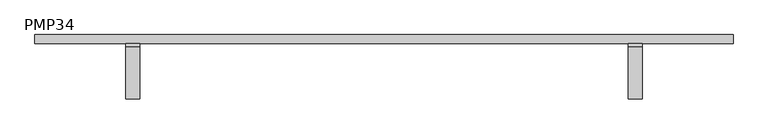
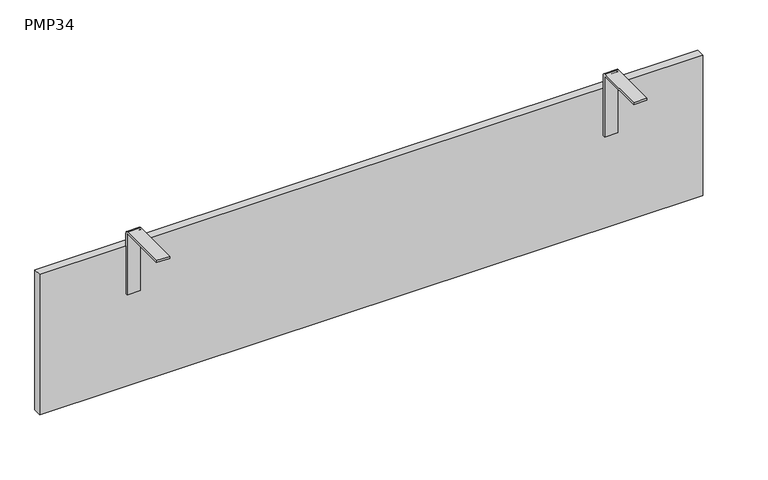
"""IFC4 building model written with IfcOpenShell, lengths in millimetres: furniture geometry, PMP34."""

from ifc_helpers import new_model, si_unit, point, frame, frame_2d, origin, origin_with_axes, place, context, project, spatial, polyline, circle_curve, trimmed, segment, composite_curve, outline, extrude, source, transform, mapped, element, save


def pmp34_4227921f(model_context):
    return source(origin(), model_context, "Body", "SweptSolid", [
        extrude(outline(composite_curve([segment(polyline([(0.0, 306.0), (0.0, 185.0), (-4.0, 185.0), (-4.0, 306.0)]), True, "CONTINUOUS"), segment(trimmed(circle_curve(frame_2d((-5.0, 306.0)), 1.0), [point((-4.0, 306.0))], [point((-5.0, 307.0))], True, "CARTESIAN"), True, "CONTINUOUS"), segment(polyline([(-5.0, 307.0), (-99.0, 307.0), (-99.0, 311.0), (-5.0, 311.0)]), True, "CONTINUOUS"), segment(trimmed(circle_curve(frame_2d((-5.0, 306.0)), 5.0), [point((-5.0, 311.0))], [point((0.0, 306.0))], False, "CARTESIAN"), True, "CONTINUOUS")], self_intersect=False)), frame((162.5, 0.0, 0.0), z_axis=(1.0, 0.0, 0.0), x_axis=(0.0, 1.0, 0.0)), (0.0, 0.0, 1.0), 25.0),
        extrude(outline(composite_curve([segment(polyline([(0.0, 306.0), (0.0, 185.0), (-4.0, 185.0), (-4.0, 306.0)]), True, "CONTINUOUS"), segment(trimmed(circle_curve(frame_2d((-5.0, 306.0)), 1.0), [point((-4.0, 306.0))], [point((-5.0, 307.0))], True, "CARTESIAN"), True, "CONTINUOUS"), segment(polyline([(-5.0, 307.0), (-99.0, 307.0), (-99.0, 311.0), (-5.0, 311.0)]), True, "CONTINUOUS"), segment(trimmed(circle_curve(frame_2d((-5.0, 306.0)), 5.0), [point((-5.0, 311.0))], [point((0.0, 306.0))], False, "CARTESIAN"), True, "CONTINUOUS")], self_intersect=False)), frame((1062.5, 0.0, 0.0), z_axis=(1.0, 0.0, 0.0), x_axis=(0.0, 1.0, 0.0)), (0.0, 0.0, 1.0), 25.0),
        extrude(outline(polyline([(1250.0, 16.0), (1250.0, 0.0), (0.0, 0.0), (0.0, 16.0), (1250.0, 16.0)])), origin_with_axes(), (0.0, 0.0, 1.0), 280.0),
    ])


if __name__ == "__main__":
    model = new_model("IFC4")
    model_context = context("Model", 3, world=origin())
    ifc_project = project(units=[si_unit("LENGTHUNIT", "METRE", prefix="MILLI")], contexts=[model_context])
    site = spatial("IfcSite", under=ifc_project)
    building = spatial("IfcBuilding", under=site)
    placement = place(None, origin())
    pmp34_shape = pmp34_4227921f(model_context)
    element("IfcFurniture", 1, ObjectType="PMP34", at=placement, inside=building, context=model_context, shape_type="MappedRepresentation", body=[
        mapped(pmp34_shape, transform((0.0, 0.0, 0.0), x_axis=(1.0, 0.0, 0.0), y_axis=(0.0, 1.0, 0.0), z_axis=(0.0, 0.0, 1.0))),
    ])
    save(model, "model.ifc")
